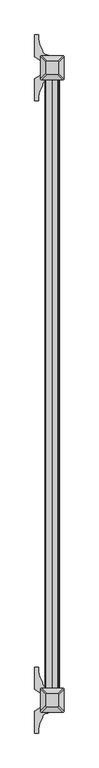
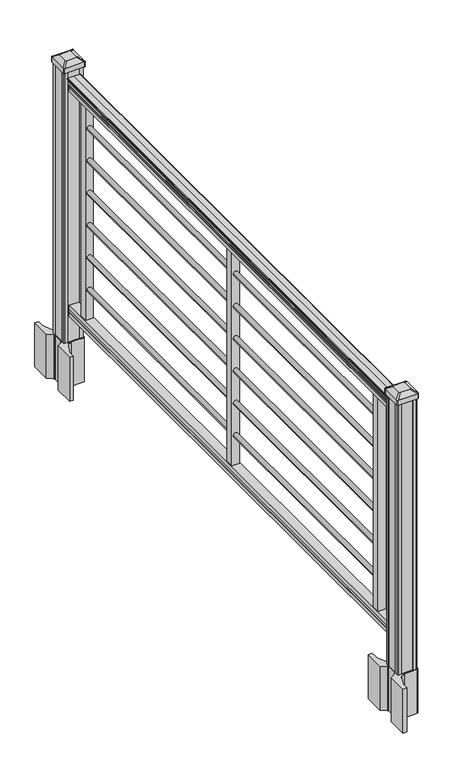
"""IFC4 building model written with IfcOpenShell, lengths in millimetres: railing geometry."""

from ifc_helpers import new_model, si_unit, point, frame, frame_2d, origin, origin_with_axes, place, context, project, spatial, polyline, circle_curve, trimmed, segment, composite_curve, outline, extrude, source, transform, mapped, element, save
from ifc_brep_helpers import plane_surface, extruded_surface, advanced_brep


def railing_dd1fb756(model_context):
    return source(origin(), model_context, "Body", "SolidModel", [
        extrude(outline(composite_curve([segment(polyline([(891.4143297, -269.9529214), (893.302412, -269.9529214)]), True, "CONTINUOUS"), segment(trimmed(circle_curve(frame_2d((899.0606383, -276.2676747)), 8.545951), [point((893.302412, -269.9529214))], [point((894.8646695, -268.8227351))], False, "CARTESIAN"), True, "CONTINUOUS"), segment(trimmed(circle_curve(frame_2d((898.4736577, -275.8306117)), 7.882584), [point((894.8646695, -268.8227351))], [point((902.0826458, -268.8227351))], False, "CARTESIAN"), True, "CONTINUOUS"), segment(trimmed(circle_curve(frame_2d((904.3212527, -265.3172876)), 4.1592695), [point((902.0826458, -268.8227351))], [point((904.5160812, -269.4719915))], True, "CARTESIAN"), True, "CONTINUOUS"), segment(trimmed(circle_curve(frame_2d((904.2608864, -264.0299811)), 5.4479907), [point((904.5160812, -269.4719915))], [point((908.8462083, -266.9719915))], True, "CARTESIAN"), True, "CONTINUOUS"), segment(trimmed(circle_curve(frame_2d((908.843395, -265.2631395)), 1.7088543), [point((908.8462083, -266.9719915))], [point((910.5257972, -265.5626491))], True, "CARTESIAN"), True, "CONTINUOUS"), segment(trimmed(circle_curve(frame_2d((911.6305318, -266.8800396)), 1.7192895), [point((910.5257972, -265.5626491))], [point((911.6305318, -265.1607501))], False, "CARTESIAN"), True, "CONTINUOUS"), segment(polyline([(911.6305318, -265.1607501), (912.9708158, -265.1607502)]), True, "CONTINUOUS"), segment(trimmed(circle_curve(frame_2d((912.9708158, -266.7141974)), 1.5534472), [point((912.9708158, -265.1607502))], [point((914.524263, -266.7141974))], False, "CARTESIAN"), True, "CONTINUOUS"), segment(polyline([(914.524263, -266.7141974), (914.524263, -287.3857502), (914.524263, -308.0573029)]), True, "CONTINUOUS"), segment(trimmed(circle_curve(frame_2d((912.9708158, -308.0573029)), 1.5534472), [point((914.524263, -308.0573029))], [point((912.9708158, -309.6107502))], False, "CARTESIAN"), True, "CONTINUOUS"), segment(polyline([(912.9708158, -309.6107502), (911.6305318, -309.6107502)]), True, "CONTINUOUS"), segment(trimmed(circle_curve(frame_2d((911.6305318, -307.8914607)), 1.7192895), [point((911.6305318, -309.6107502))], [point((910.5257972, -309.2088512))], False, "CARTESIAN"), True, "CONTINUOUS"), segment(trimmed(circle_curve(frame_2d((908.843395, -309.5083608)), 1.7088543), [point((910.5257972, -309.2088512))], [point((908.8462083, -307.7995088))], True, "CARTESIAN"), True, "CONTINUOUS"), segment(trimmed(circle_curve(frame_2d((904.2608864, -310.7415193)), 5.4479907), [point((908.8462083, -307.7995088))], [point((904.5160812, -305.2995088))], True, "CARTESIAN"), True, "CONTINUOUS"), segment(trimmed(circle_curve(frame_2d((904.3212527, -309.4542127)), 4.1592695), [point((904.5160812, -305.2995088))], [point((902.0826458, -305.9487652))], True, "CARTESIAN"), True, "CONTINUOUS"), segment(trimmed(circle_curve(frame_2d((898.4736577, -298.9408886)), 7.882584), [point((902.0826458, -305.9487652))], [point((894.8646695, -305.9487652))], False, "CARTESIAN"), True, "CONTINUOUS"), segment(trimmed(circle_curve(frame_2d((899.0606383, -298.5038256)), 8.545951), [point((894.8646695, -305.9487652))], [point((893.302412, -304.8185789))], False, "CARTESIAN"), True, "CONTINUOUS"), segment(polyline([(893.302412, -304.8185789), (891.4143297, -304.8185789)]), True, "CONTINUOUS"), segment(trimmed(circle_curve(frame_2d((891.4143297, -303.5316645)), 1.2869144), [point((891.4143297, -304.8185789))], [point((891.4143297, -302.2447502))], False, "CARTESIAN"), True, "CONTINUOUS"), segment(polyline([(891.4143297, -302.2447502), (880.9148283, -302.2447502), (879.8988283, -303.2607502), (867.41, -303.2607502), (867.41, -271.5107502), (879.741013, -271.5107502), (880.757013, -272.5267502), (891.4143297, -272.5267502)]), True, "CONTINUOUS"), segment(trimmed(circle_curve(frame_2d((891.4143297, -271.2398358)), 1.2869144), [point((891.4143297, -272.5267502))], [point((891.4143297, -269.9529214))], False, "CARTESIAN"), True, "CONTINUOUS")], self_intersect=False)), frame((0.0, -141314.1191011, 0.0), z_axis=(0.0, 1.0, 0.0), x_axis=(0.0, 0.0, 1.0)), (0.0, 0.0, 1.0), 1828.8),
        extrude(outline(polyline([(100.9461976, -271.4732633), (102.2466183, -272.4892633), (112.6061717, -272.4892633), (113.9544492, -271.4732633), (126.4878781, -271.4732633), (126.4878781, -303.2232633), (113.9378024, -303.2232633), (112.5895248, -302.2072633), (102.2778283, -302.2072633), (100.9295508, -303.2232633), (88.392, -303.2232633), (88.392, -271.4732633), (100.9461976, -271.4732633)])), frame((0.0, -141314.1191011, 0.0), z_axis=(0.0, 1.0, 0.0), x_axis=(0.0, 0.0, 1.0)), (0.0, 0.0, 1.0), 1828.8),
        extrude(outline(polyline([(-274.6857502, -139573.2031011), (-300.0857502, -139573.2031011), (-300.0857502, -139547.8031011), (-274.6857502, -139547.8031011), (-274.6857502, -139573.2031011)])), frame((0.0, 0.0, 126.4878781), z_axis=(0.0, 0.0, 1.0), x_axis=(1.0, 0.0, 0.0)), (0.0, 0.0, 1.0), 740.9221219),
        extrude(outline(composite_curve([segment(trimmed(circle_curve(frame_2d((789.0468781, -287.6959121)), 8.001), [point((789.0468781, -295.6969121))], [point((789.0468781, -279.6949121))], False, "CARTESIAN"), True, "CONTINUOUS"), segment(trimmed(circle_curve(frame_2d((789.0468781, -287.6959121)), 8.001), [point((789.0468781, -279.6949121))], [point((789.0468781, -295.6969121))], False, "CARTESIAN"), True, "CONTINUOUS")], self_intersect=False)), frame((0.0, -140381.9391011, 0.0), z_axis=(0.0, 1.0, 0.0), x_axis=(0.0, 0.0, 1.0)), (0.0, 0.0, 1.0), 812.8),
        extrude(outline(composite_curve([segment(trimmed(circle_curve(frame_2d((677.2868781, -287.6959121)), 8.001), [point((677.2868781, -295.6969121))], [point((677.2868781, -279.6949121))], False, "CARTESIAN"), True, "CONTINUOUS"), segment(trimmed(circle_curve(frame_2d((677.2868781, -287.6959121)), 8.001), [point((677.2868781, -279.6949121))], [point((677.2868781, -295.6969121))], False, "CARTESIAN"), True, "CONTINUOUS")], self_intersect=False)), frame((0.0, -140381.9391011, 0.0), z_axis=(0.0, 1.0, 0.0), x_axis=(0.0, 0.0, 1.0)), (0.0, 0.0, 1.0), 812.8),
        extrude(outline(composite_curve([segment(trimmed(circle_curve(frame_2d((565.5268781, -287.6959121)), 8.001), [point((565.5268781, -295.6969121))], [point((565.5268781, -279.6949121))], False, "CARTESIAN"), True, "CONTINUOUS"), segment(trimmed(circle_curve(frame_2d((565.5268781, -287.6959121)), 8.001), [point((565.5268781, -279.6949121))], [point((565.5268781, -295.6969121))], False, "CARTESIAN"), True, "CONTINUOUS")], self_intersect=False)), frame((0.0, -140381.9391011, 0.0), z_axis=(0.0, 1.0, 0.0), x_axis=(0.0, 0.0, 1.0)), (0.0, 0.0, 1.0), 812.8),
        extrude(outline(composite_curve([segment(trimmed(circle_curve(frame_2d((453.7668781, -287.6959121)), 8.001), [point((453.7668781, -295.6969121))], [point((453.7668781, -279.6949121))], False, "CARTESIAN"), True, "CONTINUOUS"), segment(trimmed(circle_curve(frame_2d((453.7668781, -287.6959121)), 8.001), [point((453.7668781, -279.6949121))], [point((453.7668781, -295.6969121))], False, "CARTESIAN"), True, "CONTINUOUS")], self_intersect=False)), frame((0.0, -140381.9391011, 0.0), z_axis=(0.0, 1.0, 0.0), x_axis=(0.0, 0.0, 1.0)), (0.0, 0.0, 1.0), 812.8),
        extrude(outline(composite_curve([segment(trimmed(circle_curve(frame_2d((342.0068781, -287.6959121)), 8.001), [point((342.0068781, -295.6969121))], [point((342.0068781, -279.6949121))], False, "CARTESIAN"), True, "CONTINUOUS"), segment(trimmed(circle_curve(frame_2d((342.0068781, -287.6959121)), 8.001), [point((342.0068781, -279.6949121))], [point((342.0068781, -295.6969121))], False, "CARTESIAN"), True, "CONTINUOUS")], self_intersect=False)), frame((0.0, -140381.9391011, 0.0), z_axis=(0.0, 1.0, 0.0), x_axis=(0.0, 0.0, 1.0)), (0.0, 0.0, 1.0), 812.8),
        extrude(outline(composite_curve([segment(trimmed(circle_curve(frame_2d((230.2468781, -287.6959121)), 8.001), [point((230.2468781, -295.6969121))], [point((230.2468781, -279.6949121))], False, "CARTESIAN"), True, "CONTINUOUS"), segment(trimmed(circle_curve(frame_2d((230.2468781, -287.6959121)), 8.001), [point((230.2468781, -279.6949121))], [point((230.2468781, -295.6969121))], False, "CARTESIAN"), True, "CONTINUOUS")], self_intersect=False)), frame((0.0, -140381.9391011, 0.0), z_axis=(0.0, 1.0, 0.0), x_axis=(0.0, 0.0, 1.0)), (0.0, 0.0, 1.0), 812.8),
        extrude(outline(polyline([(-274.6857502, -140403.2751011), (-300.0857502, -140403.2751011), (-300.0857502, -140377.8751011), (-274.6857502, -140377.8751011), (-274.6857502, -140403.2751011)])), frame((0.0, 0.0, 126.4878781), z_axis=(0.0, 0.0, 1.0), x_axis=(1.0, 0.0, 0.0)), (0.0, 0.0, 1.0), 740.9221219),
        extrude(outline(composite_curve([segment(trimmed(circle_curve(frame_2d((789.0468781, -287.6959121)), 8.001), [point((789.0468781, -295.6969121))], [point((789.0468781, -279.6949121))], False, "CARTESIAN"), True, "CONTINUOUS"), segment(trimmed(circle_curve(frame_2d((789.0468781, -287.6959121)), 8.001), [point((789.0468781, -279.6949121))], [point((789.0468781, -295.6969121))], False, "CARTESIAN"), True, "CONTINUOUS")], self_intersect=False)), frame((0.0, -141212.0111011, 0.0), z_axis=(0.0, 1.0, 0.0), x_axis=(0.0, 0.0, 1.0)), (0.0, 0.0, 1.0), 812.8),
        extrude(outline(composite_curve([segment(trimmed(circle_curve(frame_2d((677.2868781, -287.6959121)), 8.001), [point((677.2868781, -295.6969121))], [point((677.2868781, -279.6949121))], False, "CARTESIAN"), True, "CONTINUOUS"), segment(trimmed(circle_curve(frame_2d((677.2868781, -287.6959121)), 8.001), [point((677.2868781, -279.6949121))], [point((677.2868781, -295.6969121))], False, "CARTESIAN"), True, "CONTINUOUS")], self_intersect=False)), frame((0.0, -141212.0111011, 0.0), z_axis=(0.0, 1.0, 0.0), x_axis=(0.0, 0.0, 1.0)), (0.0, 0.0, 1.0), 812.8),
        extrude(outline(composite_curve([segment(trimmed(circle_curve(frame_2d((565.5268781, -287.6959121)), 8.001), [point((565.5268781, -295.6969121))], [point((565.5268781, -279.6949121))], False, "CARTESIAN"), True, "CONTINUOUS"), segment(trimmed(circle_curve(frame_2d((565.5268781, -287.6959121)), 8.001), [point((565.5268781, -279.6949121))], [point((565.5268781, -295.6969121))], False, "CARTESIAN"), True, "CONTINUOUS")], self_intersect=False)), frame((0.0, -141212.0111011, 0.0), z_axis=(0.0, 1.0, 0.0), x_axis=(0.0, 0.0, 1.0)), (0.0, 0.0, 1.0), 812.8),
        extrude(outline(composite_curve([segment(trimmed(circle_curve(frame_2d((453.7668781, -287.6959121)), 8.001), [point((453.7668781, -295.6969121))], [point((453.7668781, -279.6949121))], False, "CARTESIAN"), True, "CONTINUOUS"), segment(trimmed(circle_curve(frame_2d((453.7668781, -287.6959121)), 8.001), [point((453.7668781, -279.6949121))], [point((453.7668781, -295.6969121))], False, "CARTESIAN"), True, "CONTINUOUS")], self_intersect=False)), frame((0.0, -141212.0111011, 0.0), z_axis=(0.0, 1.0, 0.0), x_axis=(0.0, 0.0, 1.0)), (0.0, 0.0, 1.0), 812.8),
        extrude(outline(composite_curve([segment(trimmed(circle_curve(frame_2d((342.0068781, -287.6959121)), 8.001), [point((342.0068781, -295.6969121))], [point((342.0068781, -279.6949121))], False, "CARTESIAN"), True, "CONTINUOUS"), segment(trimmed(circle_curve(frame_2d((342.0068781, -287.6959121)), 8.001), [point((342.0068781, -279.6949121))], [point((342.0068781, -295.6969121))], False, "CARTESIAN"), True, "CONTINUOUS")], self_intersect=False)), frame((0.0, -141212.0111011, 0.0), z_axis=(0.0, 1.0, 0.0), x_axis=(0.0, 0.0, 1.0)), (0.0, 0.0, 1.0), 812.8),
        extrude(outline(composite_curve([segment(trimmed(circle_curve(frame_2d((230.2468781, -287.6959121)), 8.001), [point((230.2468781, -295.6969121))], [point((230.2468781, -279.6949121))], False, "CARTESIAN"), True, "CONTINUOUS"), segment(trimmed(circle_curve(frame_2d((230.2468781, -287.6959121)), 8.001), [point((230.2468781, -279.6949121))], [point((230.2468781, -295.6969121))], False, "CARTESIAN"), True, "CONTINUOUS")], self_intersect=False)), frame((0.0, -141212.0111011, 0.0), z_axis=(0.0, 1.0, 0.0), x_axis=(0.0, 0.0, 1.0)), (0.0, 0.0, 1.0), 812.8),
        extrude(outline(polyline([(-274.6857502, -141233.3471011), (-300.0857502, -141233.3471011), (-300.0857502, -141207.9471011), (-274.6857502, -141207.9471011), (-274.6857502, -141233.3471011)])), frame((0.0, 0.0, 126.4878781), z_axis=(0.0, 0.0, 1.0), x_axis=(1.0, 0.0, 0.0)), (0.0, 0.0, 1.0), 740.9221219),
        extrude(outline(composite_curve([segment(polyline([(-254.3340002, -139470.701196), (-252.7465002, -139471.463196), (-252.7465002, -139484.9941241), (-255.9607272, -139488.2083511), (-307.641398, -139488.2083511), (-307.641398, -139489.1291011), (-303.2910669, -139489.1291011), (-303.2910669, -139490.5833558), (-308.3755966, -139490.5833558), (-308.3755966, -139491.8673797), (-300.5848844, -139491.8673797)]), True, "CONTINUOUS"), segment(trimmed(circle_curve(frame_2d((-300.5848844, -139508.6105895)), 16.7432099), [point((-300.5848844, -139491.8673797))], [point((-317.2070067, -139506.6005828))], True, "CARTESIAN"), True, "CONTINUOUS"), segment(polyline([(-317.2070067, -139506.6005828), (-324.922451, -139523.6359213)]), True, "CONTINUOUS"), segment(trimmed(circle_curve(frame_2d((-279.8216877, -139539.907971)), 47.9464123), [point((-324.922451, -139523.6359213))], [point((-327.7681, -139539.907971))], True, "CARTESIAN"), True, "CONTINUOUS"), segment(polyline([(-327.7681, -139539.907971), (-327.7681, -139551.9167105), (-339.9716877, -139551.9167105), (-339.9716877, -139486.6208511), (-322.0250002, -139475.0444348), (-322.0250002, -139471.463196), (-320.4375002, -139470.701196), (-320.4375002, -139436.4370063), (-322.0250002, -139435.6750063), (-322.0250002, -139432.0937675), (-339.9716877, -139420.5173511), (-339.9716877, -139355.2214918), (-327.7681, -139355.2214918), (-327.7681, -139367.2302313)]), True, "CONTINUOUS"), segment(trimmed(circle_curve(frame_2d((-279.8216877, -139367.2302313)), 47.9464123), [point((-327.7681, -139367.2302313))], [point((-324.922451, -139383.502281))], True, "CARTESIAN"), True, "CONTINUOUS"), segment(polyline([(-324.922451, -139383.502281), (-317.2070067, -139400.5376194)]), True, "CONTINUOUS"), segment(trimmed(circle_curve(frame_2d((-300.5848844, -139398.5276128)), 16.7432099), [point((-317.2070067, -139400.5376194))], [point((-300.5848844, -139415.2708226))], True, "CARTESIAN"), True, "CONTINUOUS"), segment(polyline([(-300.5848844, -139415.2708226), (-298.9176121, -139415.2708226), (-298.9176121, -139416.5548465), (-303.2910669, -139416.5548465), (-303.2910669, -139418.0091011), (-307.641398, -139418.0091011), (-307.641398, -139418.9298511), (-255.9607272, -139418.9298511), (-252.7465002, -139422.1440782), (-252.7465002, -139435.6750063), (-254.3340002, -139436.4370063), (-254.3340002, -139470.701196)]), True, "CONTINUOUS")], self_intersect=False), holes=[polyline([(-319.1357502, -139423.4066011), (-319.1357502, -139483.7316011), (-317.5482502, -139485.3191011), (-290.1489675, -139485.3191011), (-257.2232502, -139485.3191011), (-255.6357502, -139483.7316011), (-255.6357502, -139423.4066011), (-257.2232502, -139421.8191011), (-290.1489675, -139421.8191011), (-317.5482502, -139421.8191011), (-319.1357502, -139423.4066011)])]), frame((0.0, 0.0, -152.4), z_axis=(0.0, 0.0, 1.0), x_axis=(1.0, 0.0, 0.0)), (0.0, 0.0, 1.0), 152.4),
        advanced_brep(
        [(-303.2607502, -139472.6191011, 965.835), (-271.5107502, -139472.6191011, 965.835), (-268.3357502, -139469.4441011, 965.835), (-268.3357502, -139437.6941011, 965.835), (-271.5107502, -139434.5191011, 965.835), (-303.2607502, -139434.5191011, 965.835), (-306.4357502, -139437.6941011, 965.835), (-306.4357502, -139469.4441011, 965.835), (-319.7707502, -139489.1291011, 954.532), (-322.9457502, -139485.9541011, 954.532), (-322.9457502, -139421.1841011, 954.532), (-319.7707502, -139418.0091011, 954.532), (-255.0007502, -139418.0091011, 954.532), (-251.8257502, -139421.1841011, 954.532), (-251.8257502, -139485.9541011, 954.532), (-255.0007502, -139489.1291011, 954.532)],
        [
            (0, 1),
            (1, 2, circle_curve(frame((-271.5107502, -139469.4441011, 965.835), z_axis=(0.0, 0.0, 1.0), x_axis=(0.0, 1.0, 0.0)), 3.175)),
            (2, 3),
            (3, 4, circle_curve(frame((-271.5107502, -139437.6941011, 965.835), z_axis=(0.0, 0.0, 1.0), x_axis=(0.0, 1.0, 0.0)), 3.175)),
            (4, 5),
            (5, 6, circle_curve(frame((-303.2607502, -139437.6941011, 965.835), z_axis=(0.0, 0.0, 1.0), x_axis=(0.0, 1.0, 0.0)), 3.175)),
            (6, 7),
            (7, 0, circle_curve(frame((-303.2607502, -139469.4441011, 965.835), z_axis=(0.0, 0.0, 1.0), x_axis=(0.0, 1.0, 0.0)), 3.175)),
            (8, 9, circle_curve(frame((-319.7707502, -139485.9541011, 954.532), z_axis=(0.0, 0.0, -1.0), x_axis=(0.0, 1.0, 0.0)), 3.175)),
            (9, 10),
            (10, 11, circle_curve(frame((-319.7707502, -139421.1841011, 954.532), z_axis=(0.0, 0.0, -1.0), x_axis=(0.0, 1.0, 0.0)), 3.175)),
            (11, 12),
            (12, 13, circle_curve(frame((-255.0007502, -139421.1841011, 954.532), z_axis=(0.0, 0.0, -1.0), x_axis=(0.0, 1.0, 0.0)), 3.175)),
            (13, 14),
            (14, 15, circle_curve(frame((-255.0007502, -139485.9541011, 954.532), z_axis=(0.0, 0.0, -1.0), x_axis=(0.0, 1.0, 0.0)), 3.175)),
            (15, 8),
            (8, 0),
            (7, 9),
            (6, 10),
            (5, 11),
            (4, 12),
            (3, 13),
            (2, 14),
            (1, 15),
        ],
        [
            plane_surface(frame((-287.3857502, -139453.5691011, 965.835), z_axis=(0.0, 0.0, 1.0), x_axis=(-1.0, 0.0, 0.0))),
            plane_surface(frame((-287.3857502, -139453.5691011, 954.532), z_axis=(0.0, 0.0, -1.0), x_axis=(-1.0, 0.0, 0.0))),
            extruded_surface(trimmed(circle_curve(frame((-303.2607502, -139469.4441011, 965.835), z_axis=(0.0, 0.0, -1.0), x_axis=(0.0, 1.0, 0.0)), 3.175), [point((-303.2607502, -139472.6191011, 965.835))], [point((-306.4357502, -139469.4441011, 965.835))], True, "CARTESIAN"), (-16.50999999999999, -16.510000000009313, -11.302999999999997), 25.940663233624292),
            plane_surface(frame((-322.9457502, -139453.5691011, 954.532), z_axis=(-0.5649114395471265, 0.0, 0.8251515409116033), x_axis=(0.0, 1.0, 0.0))),
            extruded_surface(trimmed(circle_curve(frame((-303.2607502, -139437.6941011, 965.835), z_axis=(0.0, 0.0, -1.0), x_axis=(0.0, 1.0, 0.0)), 3.175), [point((-306.4357502, -139437.6941011, 965.835))], [point((-303.2607502, -139434.5191011, 965.835))], True, "CARTESIAN"), (-16.50999999999999, 16.510000000009313, -11.302999999999997), 25.940663233624292),
            plane_surface(frame((-287.3857502, -139418.0091011, 954.532), z_axis=(0.0, 0.564911439547091, 0.8251515409116277), x_axis=(1.0, 0.0, 0.0))),
            extruded_surface(trimmed(circle_curve(frame((-271.5107502, -139437.6941011, 965.835), z_axis=(0.0, 0.0, -1.0), x_axis=(0.0, 1.0, 0.0)), 3.175), [point((-271.5107502, -139434.5191011, 965.835))], [point((-268.3357502, -139437.6941011, 965.835))], True, "CARTESIAN"), (16.51000000000002, 16.510000000009313, -11.302999999999997), 25.94066323362431),
            plane_surface(frame((-251.8257502, -139453.5691011, 954.532), z_axis=(0.5649114395470569, 0.0, 0.825151540911651), x_axis=(0.0, -1.0, 0.0))),
            extruded_surface(trimmed(circle_curve(frame((-271.5107502, -139469.4441011, 965.835), z_axis=(0.0, 0.0, -1.0), x_axis=(0.0, 1.0, 0.0)), 3.175), [point((-268.3357502, -139469.4441011, 965.835))], [point((-271.5107502, -139472.6191011, 965.835))], True, "CARTESIAN"), (16.51000000000002, -16.510000000009313, -11.302999999999997), 25.94066323362431),
            plane_surface(frame((-287.3857502, -139489.1291011, 954.532), z_axis=(0.0, -0.5649114395471048, 0.8251515409116182), x_axis=(-1.0, 0.0, 0.0))),
        ],
        [
            (0, [[1, 2, 3, 4, 5, 6, 7, 8]]),
            (1, [[9, 10, 11, 12, 13, 14, 15, 16]]),
            (2, [[17, -8, 18, -9]]),
            (3, [[-18, -7, 19, -10]]),
            (4, [[-19, -6, 20, -11]]),
            (5, [[-20, -5, 21, -12]]),
            (6, [[-21, -4, 22, -13]]),
            (7, [[-22, -3, 23, -14]]),
            (8, [[-23, -2, 24, -15]]),
            (9, [[-24, -1, -17, -16]]),
        ],
    ),
        extrude(outline(composite_curve([segment(trimmed(circle_curve(frame_2d((-319.7707502, -139485.9541011)), 3.175), [point((-319.7707502, -139489.1291011))], [point((-322.9457502, -139485.9541011))], False, "CARTESIAN"), True, "CONTINUOUS"), segment(polyline([(-322.9457502, -139485.9541011), (-322.9457502, -139421.1841011)]), True, "CONTINUOUS"), segment(trimmed(circle_curve(frame_2d((-319.7707502, -139421.1841011)), 3.175), [point((-322.9457502, -139421.1841011))], [point((-319.7707502, -139418.0091011))], False, "CARTESIAN"), True, "CONTINUOUS"), segment(polyline([(-319.7707502, -139418.0091011), (-255.0007502, -139418.0091011)]), True, "CONTINUOUS"), segment(trimmed(circle_curve(frame_2d((-255.0007502, -139421.1841011)), 3.175), [point((-255.0007502, -139418.0091011))], [point((-251.8257502, -139421.1841011))], False, "CARTESIAN"), True, "CONTINUOUS"), segment(polyline([(-251.8257502, -139421.1841011), (-251.8257502, -139485.9541011)]), True, "CONTINUOUS"), segment(trimmed(circle_curve(frame_2d((-255.0007502, -139485.9541011)), 3.175), [point((-251.8257502, -139485.9541011))], [point((-255.0007502, -139489.1291011))], False, "CARTESIAN"), True, "CONTINUOUS"), segment(polyline([(-255.0007502, -139489.1291011), (-319.7707502, -139489.1291011)]), True, "CONTINUOUS")], self_intersect=False)), frame((0.0, 0.0, 937.26), z_axis=(0.0, 0.0, 1.0), x_axis=(1.0, 0.0, 0.0)), (0.0, 0.0, 1.0), 17.272),
        extrude(outline(polyline([(-317.5482502, -139485.3191011), (-319.1357502, -139483.7316011), (-319.1357502, -139473.3811011), (-317.5482502, -139472.6191011), (-317.5482502, -139434.5191011), (-319.1357502, -139433.7571011), (-319.1357502, -139423.4066011), (-317.5482502, -139421.8191011), (-307.1977502, -139421.8191011), (-306.4357502, -139423.4066011), (-268.3357502, -139423.4066011), (-267.5737502, -139421.8191011), (-257.2232502, -139421.8191011), (-255.6357502, -139423.4066011), (-255.6357502, -139433.7571011), (-257.2232502, -139434.5191011), (-257.2232502, -139472.6191011), (-255.6357502, -139473.3811011), (-255.6357502, -139483.7316011), (-257.2232502, -139485.3191011), (-267.5737502, -139485.3191011), (-268.3357502, -139483.7316011), (-306.4357502, -139483.7316011), (-307.1977502, -139485.3191011), (-317.5482502, -139485.3191011)])), origin_with_axes(), (0.0, 0.0, 1.0), 937.26),
        extrude(outline(composite_curve([segment(polyline([(-254.3340002, -141363.001196), (-252.7465002, -141363.763196), (-252.7465002, -141377.2941241), (-255.9607272, -141380.5083511), (-307.641398, -141380.5083511), (-307.641398, -141381.4291011), (-303.2910669, -141381.4291011), (-303.2910669, -141382.8833558), (-308.3755966, -141382.8833558), (-308.3755966, -141384.1673797), (-300.5848844, -141384.1673797)]), True, "CONTINUOUS"), segment(trimmed(circle_curve(frame_2d((-300.5848844, -141400.9105895)), 16.7432099), [point((-300.5848844, -141384.1673797))], [point((-317.2070067, -141398.9005828))], True, "CARTESIAN"), True, "CONTINUOUS"), segment(polyline([(-317.2070067, -141398.9005828), (-324.922451, -141415.9359213)]), True, "CONTINUOUS"), segment(trimmed(circle_curve(frame_2d((-279.8216877, -141432.207971)), 47.9464123), [point((-324.922451, -141415.9359213))], [point((-327.7681, -141432.207971))], True, "CARTESIAN"), True, "CONTINUOUS"), segment(polyline([(-327.7681, -141432.207971), (-327.7681, -141444.2167105), (-339.9716877, -141444.2167105), (-339.9716877, -141378.9208511), (-322.0250002, -141367.3444348), (-322.0250002, -141363.763196), (-320.4375002, -141363.001196), (-320.4375002, -141328.7370063), (-322.0250002, -141327.9750063), (-322.0250002, -141324.3937675), (-339.9716877, -141312.8173511), (-339.9716877, -141247.5214918), (-327.7681, -141247.5214918), (-327.7681, -141259.5302313)]), True, "CONTINUOUS"), segment(trimmed(circle_curve(frame_2d((-279.8216877, -141259.5302313)), 47.9464123), [point((-327.7681, -141259.5302313))], [point((-324.922451, -141275.802281))], True, "CARTESIAN"), True, "CONTINUOUS"), segment(polyline([(-324.922451, -141275.802281), (-317.2070067, -141292.8376194)]), True, "CONTINUOUS"), segment(trimmed(circle_curve(frame_2d((-300.5848844, -141290.8276128)), 16.7432099), [point((-317.2070067, -141292.8376194))], [point((-300.5848844, -141307.5708226))], True, "CARTESIAN"), True, "CONTINUOUS"), segment(polyline([(-300.5848844, -141307.5708226), (-298.9176121, -141307.5708226), (-298.9176121, -141308.8548465), (-303.2910669, -141308.8548465), (-303.2910669, -141310.3091011), (-307.641398, -141310.3091011), (-307.641398, -141311.2298511), (-255.9607272, -141311.2298511), (-252.7465002, -141314.4440782), (-252.7465002, -141327.9750063), (-254.3340002, -141328.7370063), (-254.3340002, -141363.001196)]), True, "CONTINUOUS")], self_intersect=False), holes=[polyline([(-319.1357502, -141315.7066011), (-319.1357502, -141376.0316011), (-317.5482502, -141377.6191011), (-290.1489675, -141377.6191011), (-257.2232502, -141377.6191011), (-255.6357502, -141376.0316011), (-255.6357502, -141315.7066011), (-257.2232502, -141314.1191011), (-290.1489675, -141314.1191011), (-317.5482502, -141314.1191011), (-319.1357502, -141315.7066011)])]), frame((0.0, 0.0, -152.4), z_axis=(0.0, 0.0, 1.0), x_axis=(1.0, 0.0, 0.0)), (0.0, 0.0, 1.0), 152.4),
        advanced_brep(
        [(-303.2607502, -141364.9191011, 965.835), (-271.5107502, -141364.9191011, 965.835), (-268.3357502, -141361.7441011, 965.835), (-268.3357502, -141329.9941011, 965.835), (-271.5107502, -141326.8191011, 965.835), (-303.2607502, -141326.8191011, 965.835), (-306.4357502, -141329.9941011, 965.835), (-306.4357502, -141361.7441011, 965.835), (-319.7707502, -141381.4291011, 954.532), (-322.9457502, -141378.2541011, 954.532), (-322.9457502, -141313.4841011, 954.532), (-319.7707502, -141310.3091011, 954.532), (-255.0007502, -141310.3091011, 954.532), (-251.8257502, -141313.4841011, 954.532), (-251.8257502, -141378.2541011, 954.532), (-255.0007502, -141381.4291011, 954.532)],
        [
            (0, 1),
            (1, 2, circle_curve(frame((-271.5107502, -141361.7441011, 965.835), z_axis=(0.0, 0.0, 1.0), x_axis=(0.0, 1.0, 0.0)), 3.175)),
            (2, 3),
            (3, 4, circle_curve(frame((-271.5107502, -141329.9941011, 965.835), z_axis=(0.0, 0.0, 1.0), x_axis=(0.0, 1.0, 0.0)), 3.175)),
            (4, 5),
            (5, 6, circle_curve(frame((-303.2607502, -141329.9941011, 965.835), z_axis=(0.0, 0.0, 1.0), x_axis=(0.0, 1.0, 0.0)), 3.175)),
            (6, 7),
            (7, 0, circle_curve(frame((-303.2607502, -141361.7441011, 965.835), z_axis=(0.0, 0.0, 1.0), x_axis=(0.0, 1.0, 0.0)), 3.175)),
            (8, 9, circle_curve(frame((-319.7707502, -141378.2541011, 954.532), z_axis=(0.0, 0.0, -1.0), x_axis=(0.0, 1.0, 0.0)), 3.175)),
            (9, 10),
            (10, 11, circle_curve(frame((-319.7707502, -141313.4841011, 954.532), z_axis=(0.0, 0.0, -1.0), x_axis=(0.0, 1.0, 0.0)), 3.175)),
            (11, 12),
            (12, 13, circle_curve(frame((-255.0007502, -141313.4841011, 954.532), z_axis=(0.0, 0.0, -1.0), x_axis=(0.0, 1.0, 0.0)), 3.175)),
            (13, 14),
            (14, 15, circle_curve(frame((-255.0007502, -141378.2541011, 954.532), z_axis=(0.0, 0.0, -1.0), x_axis=(0.0, 1.0, 0.0)), 3.175)),
            (15, 8),
            (8, 0),
            (7, 9),
            (6, 10),
            (5, 11),
            (4, 12),
            (3, 13),
            (2, 14),
            (1, 15),
        ],
        [
            plane_surface(frame((-287.3857502, -141345.8691011, 965.835), z_axis=(0.0, 0.0, 1.0), x_axis=(-1.0, 0.0, 0.0))),
            plane_surface(frame((-287.3857502, -141345.8691011, 954.532), z_axis=(0.0, 0.0, -1.0), x_axis=(-1.0, 0.0, 0.0))),
            extruded_surface(trimmed(circle_curve(frame((-303.2607502, -141361.7441011, 965.835), z_axis=(0.0, 0.0, -1.0), x_axis=(0.0, 1.0, 0.0)), 3.175), [point((-303.2607502, -141364.9191011, 965.835))], [point((-306.4357502, -141361.7441011, 965.835))], True, "CARTESIAN"), (-16.50999999999999, -16.510000000009313, -11.302999999999997), 25.940663233624292),
            plane_surface(frame((-322.9457502, -141345.8691011, 954.532), z_axis=(-0.5649114395471265, 0.0, 0.8251515409116033), x_axis=(0.0, 1.0, 0.0))),
            extruded_surface(trimmed(circle_curve(frame((-303.2607502, -141329.9941011, 965.835), z_axis=(0.0, 0.0, -1.0), x_axis=(0.0, 1.0, 0.0)), 3.175), [point((-306.4357502, -141329.9941011, 965.835))], [point((-303.2607502, -141326.8191011, 965.835))], True, "CARTESIAN"), (-16.50999999999999, 16.50999999998021, -11.302999999999997), 25.94066323360577),
            plane_surface(frame((-287.3857502, -141310.3091011, 954.532), z_axis=(0.0, 0.564911439547091, 0.8251515409116277), x_axis=(1.0, 0.0, 0.0))),
            extruded_surface(trimmed(circle_curve(frame((-271.5107502, -141329.9941011, 965.835), z_axis=(0.0, 0.0, -1.0), x_axis=(0.0, 1.0, 0.0)), 3.175), [point((-271.5107502, -141326.8191011, 965.835))], [point((-268.3357502, -141329.9941011, 965.835))], True, "CARTESIAN"), (16.51000000000002, 16.50999999998021, -11.302999999999997), 25.940663233605786),
            plane_surface(frame((-251.8257502, -141345.8691011, 954.532), z_axis=(0.5649114395470569, 0.0, 0.825151540911651), x_axis=(0.0, -1.0, 0.0))),
            extruded_surface(trimmed(circle_curve(frame((-271.5107502, -141361.7441011, 965.835), z_axis=(0.0, 0.0, -1.0), x_axis=(0.0, 1.0, 0.0)), 3.175), [point((-268.3357502, -141361.7441011, 965.835))], [point((-271.5107502, -141364.9191011, 965.835))], True, "CARTESIAN"), (16.51000000000002, -16.510000000009313, -11.302999999999997), 25.94066323362431),
            plane_surface(frame((-287.3857502, -141381.4291011, 954.532), z_axis=(0.0, -0.5649114395471048, 0.8251515409116182), x_axis=(-1.0, 0.0, 0.0))),
        ],
        [
            (0, [[1, 2, 3, 4, 5, 6, 7, 8]]),
            (1, [[9, 10, 11, 12, 13, 14, 15, 16]]),
            (2, [[17, -8, 18, -9]]),
            (3, [[-18, -7, 19, -10]]),
            (4, [[-19, -6, 20, -11]]),
            (5, [[-20, -5, 21, -12]]),
            (6, [[-21, -4, 22, -13]]),
            (7, [[-22, -3, 23, -14]]),
            (8, [[-23, -2, 24, -15]]),
            (9, [[-24, -1, -17, -16]]),
        ],
    ),
        extrude(outline(composite_curve([segment(trimmed(circle_curve(frame_2d((-319.7707502, -141378.2541011)), 3.175), [point((-319.7707502, -141381.4291011))], [point((-322.9457502, -141378.2541011))], False, "CARTESIAN"), True, "CONTINUOUS"), segment(polyline([(-322.9457502, -141378.2541011), (-322.9457502, -141313.4841011)]), True, "CONTINUOUS"), segment(trimmed(circle_curve(frame_2d((-319.7707502, -141313.4841011)), 3.175), [point((-322.9457502, -141313.4841011))], [point((-319.7707502, -141310.3091011))], False, "CARTESIAN"), True, "CONTINUOUS"), segment(polyline([(-319.7707502, -141310.3091011), (-255.0007502, -141310.3091011)]), True, "CONTINUOUS"), segment(trimmed(circle_curve(frame_2d((-255.0007502, -141313.4841011)), 3.175), [point((-255.0007502, -141310.3091011))], [point((-251.8257502, -141313.4841011))], False, "CARTESIAN"), True, "CONTINUOUS"), segment(polyline([(-251.8257502, -141313.4841011), (-251.8257502, -141378.2541011)]), True, "CONTINUOUS"), segment(trimmed(circle_curve(frame_2d((-255.0007502, -141378.2541011)), 3.175), [point((-251.8257502, -141378.2541011))], [point((-255.0007502, -141381.4291011))], False, "CARTESIAN"), True, "CONTINUOUS"), segment(polyline([(-255.0007502, -141381.4291011), (-319.7707502, -141381.4291011)]), True, "CONTINUOUS")], self_intersect=False)), frame((0.0, 0.0, 937.26), z_axis=(0.0, 0.0, 1.0), x_axis=(1.0, 0.0, 0.0)), (0.0, 0.0, 1.0), 17.272),
        extrude(outline(polyline([(-317.5482502, -141377.6191011), (-319.1357502, -141376.0316011), (-319.1357502, -141365.6811011), (-317.5482502, -141364.9191011), (-317.5482502, -141326.8191011), (-319.1357502, -141326.0571011), (-319.1357502, -141315.7066011), (-317.5482502, -141314.1191011), (-307.1977502, -141314.1191011), (-306.4357502, -141315.7066011), (-268.3357502, -141315.7066011), (-267.5737502, -141314.1191011), (-257.2232502, -141314.1191011), (-255.6357502, -141315.7066011), (-255.6357502, -141326.0571011), (-257.2232502, -141326.8191011), (-257.2232502, -141364.9191011), (-255.6357502, -141365.6811011), (-255.6357502, -141376.0316011), (-257.2232502, -141377.6191011), (-267.5737502, -141377.6191011), (-268.3357502, -141376.0316011), (-306.4357502, -141376.0316011), (-307.1977502, -141377.6191011), (-317.5482502, -141377.6191011)])), origin_with_axes(), (0.0, 0.0, 1.0), 937.26),
    ])


if __name__ == "__main__":
    model = new_model("IFC4")
    model_context = context("Model", 3, world=origin())
    ifc_project = project(units=[si_unit("LENGTHUNIT", "METRE", prefix="MILLI")], contexts=[model_context])
    site = spatial("IfcSite", under=ifc_project)
    building = spatial("IfcBuilding", under=site)
    placement = place(None, origin())
    railing_shape = railing_dd1fb756(model_context)
    element("IfcRailing", 1, at=placement, inside=building, context=model_context, shape_type="MappedRepresentation", body=[
        mapped(railing_shape, transform((0.0, 0.0, 0.0), x_axis=(1.0, 0.0, 0.0), y_axis=(0.0, 1.0, 0.0), z_axis=(0.0, 0.0, 1.0))),
    ])
    save(model, "model.ifc")
